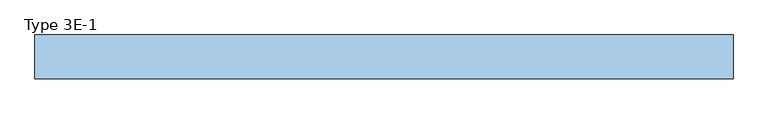
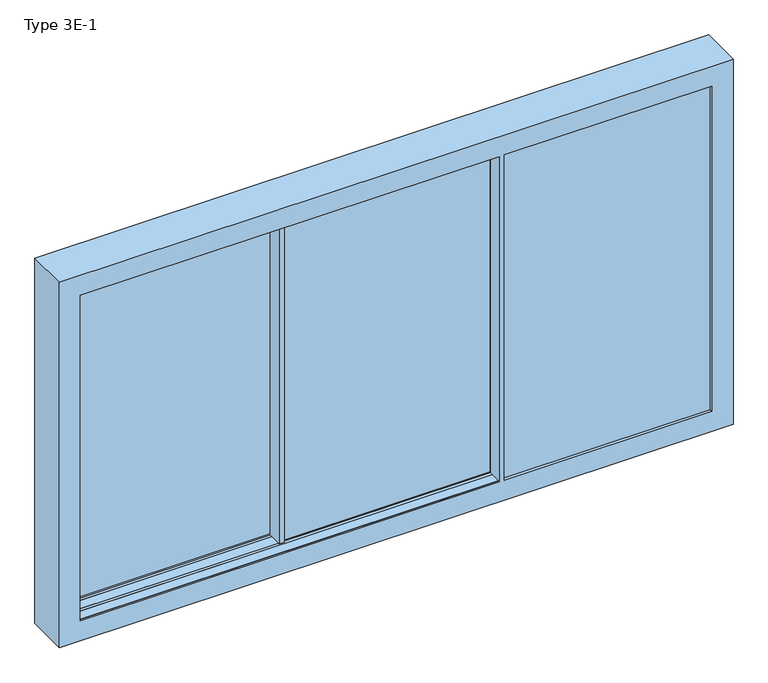
"""IFC4 building model written with IfcOpenShell, lengths in millimetres: window geometry, Type 3E-1."""

import ifcopenshell
import ifcopenshell.guid

model = None  # the IFC model being written
_history = None  # IfcOwnerHistory: only IFC2X3 demands one
_inside = {}  # id of a spatial element -> (the spatial element, [elements in it])
_under = {}  # id of a project, library or spatial element -> (it, [spatial elements below it])
_declared = {}  # id of a project -> (the project, [libraries it declares])
_typed = {}  # id of a type object -> (the type object, [elements of that type])
_made_of = {}  # id of a material, layer set ... -> (it, [elements and type objects made of it])


def new_model(schema):
    """Start an empty IFC model of exactly this schema.

    Asked for "IFC4X3", IfcOpenShell would pick the latest addendum, in which some entities
    have other attributes; the version numbers below select the first issue.
    IFC2X3 requires an IfcOwnerHistory on every rooted entity: one is made here for all.
    """
    global model, _history
    if schema == "IFC4X3":
        model = ifcopenshell.file(schema_version=(4, 3, 0, 0))
    else:
        model = ifcopenshell.file(schema=schema)
    _inside.clear()
    _under.clear()
    _declared.clear()
    _typed.clear()
    _made_of.clear()
    _history = None
    if model.schema == "IFC2X3":
        org = make("IfcOrganization", Name="unknown")
        user = make(
            "IfcPersonAndOrganization",
            ThePerson=make("IfcPerson", FamilyName="unknown"),
            TheOrganization=org,
        )
        app = make(
            "IfcApplication",
            ApplicationDeveloper=org,
            Version="unknown",
            ApplicationFullName="unknown",
            ApplicationIdentifier="unknown",
        )
        _history = make(
            "IfcOwnerHistory",
            OwningUser=user,
            OwningApplication=app,
            ChangeAction="ADDED",
            CreationDate=0,
        )
    return model


def make(cls, **values):
    """One entity of the class cls with the attributes given. An attribute that is None is left unset."""
    return model.create_entity(
        cls, **{name: value for name, value in values.items() if value is not None}
    )


def rooted(cls, **values):
    """An entity with a GlobalId (a new one), such as an element, a storey or a relation."""
    return make(cls, GlobalId=ifcopenshell.guid.new(), OwnerHistory=_history, **values)


def si_unit(unit_type, name, prefix=None):
    """IfcSIUnit, for example si_unit("LENGTHUNIT", "METRE", prefix="MILLI")."""
    return make("IfcSIUnit", UnitType=unit_type, Prefix=prefix, Name=name)


def assignment(units):
    """IfcUnitAssignment: the units of a project."""
    return None if units is None else make("IfcUnitAssignment", Units=units)


def point(xyz):
    """IfcCartesianPoint."""
    return None if xyz is None else make("IfcCartesianPoint", Coordinates=xyz)


def direction(xyz):
    """IfcDirection."""
    return None if xyz is None else make("IfcDirection", DirectionRatios=xyz)


def frame(location, z_axis=None, x_axis=None):
    """IfcAxis2Placement3D, a coordinate frame: its origin and axes. An axis left out is left unset."""
    return make(
        "IfcAxis2Placement3D",
        Location=point(location),
        Axis=direction(z_axis),
        RefDirection=direction(x_axis),
    )


def origin():
    """The frame at (0, 0, 0) with its axes left unset."""
    return frame((0.0, 0.0, 0.0))


def place(relative_to, where):
    """IfcLocalPlacement: puts the frame where relative to a parent placement (None: the world)."""
    return make(
        "IfcLocalPlacement", PlacementRelTo=relative_to, RelativePlacement=where
    )


def context(
    kind, dimensions, precision=None, world=None, true_north=None, identifier=None
):
    """IfcGeometricRepresentationContext, for example the 3D "Model" context."""
    return make(
        "IfcGeometricRepresentationContext",
        ContextIdentifier=identifier,
        ContextType=kind,
        CoordinateSpaceDimension=dimensions,
        Precision=precision,
        WorldCoordinateSystem=world,
        TrueNorth=true_north,
    )


def project(units=None, contexts=None):
    """IfcProject with its units and contexts."""
    return rooted(
        "IfcProject",
        Name="project",
        RepresentationContexts=contexts,
        UnitsInContext=assignment(units),
    )


def spatial(cls, under=None, at=None, **own):
    """A site, building, storey or space (cls), placed at a placement, below another one or the project."""
    s = rooted(cls, ObjectPlacement=at, **own)
    if under is not None:
        _under.setdefault(under.id(), (under, []))[1].append(s)
    return s


def polyline(points):
    """IfcPolyline through the points."""
    return make("IfcPolyline", Points=[point(p) for p in points])


def outline(outer, holes=None, kind="AREA"):
    """IfcArbitraryClosedProfileDef: a profile drawn as a closed curve; with holes, ...WithVoids."""
    if holes is None:
        return make("IfcArbitraryClosedProfileDef", ProfileType=kind, OuterCurve=outer)
    return make(
        "IfcArbitraryProfileDefWithVoids",
        ProfileType=kind,
        OuterCurve=outer,
        InnerCurves=holes,
    )


def extrude(swept, where, along, depth):
    """IfcExtrudedAreaSolid: the profile swept, set in the frame where, extruded along a direction by depth."""
    return make(
        "IfcExtrudedAreaSolid",
        SweptArea=swept,
        Position=where,
        ExtrudedDirection=direction(along),
        Depth=depth,
    )


def faces_of(points, faces, orient=None, outer=None):
    """IfcFace entities. A face is a list of loops; a loop is a list of indices into points, from 0.

    orient and outer hold one flag for each loop. By default every Orientation is true, the
    first loop of a face is its IfcFaceOuterBound and the others are IfcFaceBound.
    """
    made = []
    for i, loops in enumerate(faces):
        bounds = []
        for j, loop in enumerate(loops):
            is_outer = j == 0 if outer is None else outer[i][j]
            bounds.append(
                make(
                    "IfcFaceOuterBound" if is_outer else "IfcFaceBound",
                    Bound=make("IfcPolyLoop", Polygon=[points[k] for k in loop]),
                    Orientation=True if orient is None else orient[i][j],
                )
            )
        made.append(make("IfcFace", Bounds=bounds))
    return made


def faceted_brep(points, faces, orient=None, outer=None, voids=None):
    """IfcFacetedBrep: a solid bounded by flat faces; with voids (closed shells), ...WithVoids."""
    shared = [point(p) for p in points]
    hull = make("IfcClosedShell", CfsFaces=faces_of(shared, faces, orient, outer))
    if voids is None:
        return make("IfcFacetedBrep", Outer=hull)
    return make(
        "IfcFacetedBrepWithVoids",
        Outer=hull,
        Voids=[
            make(cls, CfsFaces=faces_of(shared, fs, o, b)) for cls, fs, o, b in voids
        ],
    )


def shape(context_of_items, identifier, shape_type, items):
    """IfcShapeRepresentation: the items that make up one representation, for example the "Body"."""
    return make(
        "IfcShapeRepresentation",
        ContextOfItems=context_of_items,
        RepresentationIdentifier=identifier,
        RepresentationType=shape_type,
        Items=items,
    )


def source(mapping_origin, context_of_items, identifier, shape_type, items):
    """IfcRepresentationMap: a shape defined once, which mapped items show again and again."""
    return make(
        "IfcRepresentationMap",
        MappingOrigin=mapping_origin,
        MappedRepresentation=shape(context_of_items, identifier, shape_type, items),
    )


def transform(
    local_origin,
    x_axis=None,
    y_axis=None,
    z_axis=None,
    scale=None,
    scale2=None,
    scale3=None,
    uniform=True,
):
    """IfcCartesianTransformationOperator3D, or its non-uniform kind. x_axis, y_axis, z_axis: its Axis1, 2, 3."""
    if uniform:
        return make(
            "IfcCartesianTransformationOperator3D",
            Axis1=direction(x_axis),
            Axis2=direction(y_axis),
            LocalOrigin=point(local_origin),
            Scale=scale,
            Axis3=direction(z_axis),
        )
    return make(
        "IfcCartesianTransformationOperator3DnonUniform",
        Axis1=direction(x_axis),
        Axis2=direction(y_axis),
        LocalOrigin=point(local_origin),
        Scale=scale,
        Axis3=direction(z_axis),
        Scale2=scale2,
        Scale3=scale3,
    )


def mapped(mapping_source, mapping_target):
    """IfcMappedItem: shows the shape of a source again, moved by a transform."""
    return make(
        "IfcMappedItem", MappingSource=mapping_source, MappingTarget=mapping_target
    )


def made_of(thing, what):
    """Note that an element or type object is made of a material, layer set ...; save() writes the relation."""
    if what is not None:
        _made_of.setdefault(what.id(), (what, []))[1].append(thing)
    return thing


def element(
    cls,
    number,
    at=None,
    inside=None,
    cuts=None,
    type_object=None,
    material=None,
    context=None,
    identifier="Body",
    shape_type=None,
    held_by="IfcProductDefinitionShape",
    body=None,
    shapes=None,
    **own,
):
    """One element of the class cls, such as IfcWall. Its Tag is "e" and its number.

    at: its placement. inside: the storey or other place that contains it. cuts: it is an
    opening in that element (IfcRelVoidsElement). A single representation is given by context,
    identifier, shape_type and body (its items); several are given by shapes. held_by: the class
    of the entity that holds the representations. save() writes the other relations.
    """
    e = rooted(cls, Tag="e%d" % number, ObjectPlacement=at, **own)
    if body is not None:
        shapes = [shape(context, identifier, shape_type, body)]
    if shapes is not None:
        e.Representation = make(held_by, Representations=shapes)
    if inside is not None:
        _inside.setdefault(inside.id(), (inside, []))[1].append(e)
    if cuts is not None:
        rooted(
            "IfcRelVoidsElement", RelatingBuildingElement=cuts, RelatedOpeningElement=e
        )
    if type_object is not None:
        _typed.setdefault(type_object.id(), (type_object, []))[1].append(e)
    return made_of(e, material)


def aggregate(whole, parts):
    """IfcRelAggregates: a whole, such as a stair, and the parts it consists of."""
    return rooted("IfcRelAggregates", RelatingObject=whole, RelatedObjects=parts)


def save(model, path):
    """Write the relations noted so far, then the file.

    IfcRelAggregates (storeys below a building ...), IfcRelContainedInSpatialStructure (elements
    in a storey), IfcRelDefinesByType, IfcRelAssociatesMaterial and IfcRelDeclares: one each for
    every whole, place, type object, material and project.
    """
    for whole, parts in _under.values():
        aggregate(whole, parts)
    for where, things in _inside.values():
        rooted(
            "IfcRelContainedInSpatialStructure",
            RelatedElements=things,
            RelatingStructure=where,
        )
    for kind, things in _typed.values():
        rooted("IfcRelDefinesByType", RelatedObjects=things, RelatingType=kind)
    for what, things in _made_of.values():
        rooted("IfcRelAssociatesMaterial", RelatedObjects=things, RelatingMaterial=what)
    for by, libraries in _declared.values():
        rooted("IfcRelDeclares", RelatingContext=by, RelatedDefinitions=libraries)
    model.write(path)


def type_3e_1_05a55fa8(model_context):
    return source(origin(), model_context, "Body", "SolidModel", [
        faceted_brep([(-752.6666667, 102.5, 0.0), (-752.6666667, 121.5001997, 0.0), (-732.8665937, 121.5001997, 0.0), (-732.8665937, 102.5, 0.0), (-732.8665937, 210.0, 0.0), (-732.8665937, 198.5, 0.0), (-767.6666667, 198.5, 0.0), (-767.6666667, 210.0, 0.0), (-752.6666667, 102.5, 2440.0), (-732.8665937, 102.5, 2440.0), (-732.8665937, 210.0, 2440.0), (-732.8665937, 198.5, 2440.0), (-732.8665937, 198.5, 2455.0), (-732.8665937, 121.5001997, 2455.0), (-732.8665937, 121.5001997, 2440.0), (-732.8665937, 121.5001997, -15.0), (-732.8665937, 198.5, -15.0), (-767.6666667, 210.0, 2440.0), (-767.6666667, 187.0001997, 0.0), (-767.6666667, 187.0001997, 2440.0), (-767.6666667, 198.5, 2440.0), (-2240.1997637, 198.5, 0.0), (-2269.9996907, 198.5, -15.0), (-2269.9996907, 198.5, 2455.0), (-2240.1997637, 198.5, 2440.0), (-752.6666667, 121.5001997, 2440.0), (-2269.9996907, 121.5001997, 2455.0), (-2269.9996907, 121.5001997, -15.0), (-2240.1997637, 121.5001997, 2440.0), (-767.6666667, 121.5001997, 2440.0), (-767.6666667, 121.5001997, 0.0), (-2240.1997637, 121.5001997, 0.0), (-2250.9997637, 187.0001997, -10.8), (-756.8666667, 187.0001997, -10.8), (-756.8666667, 187.0001997, 2450.8), (-2250.9997637, 187.0001997, 2450.8), (-2240.1997637, 187.0001997, 2440.0), (-2240.1997637, 187.0001997, 0.0), (-2250.9997637, 133.0001997, 2450.8), (-2250.9997637, 133.0001997, -10.8), (-756.8666667, 133.0001997, -10.8), (-756.8666667, 133.0001997, 2450.8), (-2240.1997637, 133.0001997, 0.0), (-767.6666667, 133.0001997, 0.0), (-767.6666667, 133.0001997, 2440.0), (-2240.1997637, 133.0001997, 2440.0)], [[[0, 1, 2, 3]], [[4, 5, 6, 7]], [[8, 0, 3, 9]], [[10, 11, 12, 13, 14, 9, 3, 2, 15, 16, 5, 4]], [[10, 4, 7, 17]], [[17, 7, 6, 18, 19, 20]], [[21, 6, 5, 16, 22, 23, 12, 11, 20, 24]], [[8, 25, 1, 0]], [[25, 14, 13, 26, 27, 15, 2, 1], [28, 29, 30, 31]], [[32, 33, 34, 35], [36, 19, 18, 37]], [[37, 18, 6, 21]], [[36, 37, 21, 24]], [[38, 39, 32, 35]], [[39, 40, 33, 32]], [[38, 41, 40, 39], [42, 43, 44, 45]], [[28, 31, 42, 45]], [[31, 30, 43, 42]], [[22, 16, 15, 27]], [[40, 41, 34, 33]], [[30, 29, 44, 43]], [[23, 22, 27, 26]], [[9, 14, 25, 8]], [[11, 10, 17, 20]], [[24, 20, 19, 36]], [[35, 34, 41, 38]], [[45, 44, 29, 28]], [[13, 12, 23, 26]]]),
        extrude(outline(polyline([(-756.8666667, 187.0001997), (-756.8666667, 133.0001997), (-2250.9997637, 133.0001997), (-2250.9997637, 187.0001997), (-756.8666667, 187.0001997)])), frame((0.0, 0.0, -10.8), z_axis=(0.0, 0.0, 1.0), x_axis=(1.0, 0.0, 0.0)), (0.0, 0.0, 1.0), 2461.6),
        extrude(outline(polyline([(-2255.0, -78.5), (-2255.0, -1.5), (752.6666667, -1.5), (752.6666667, -78.5), (-2255.0, -78.5)])), frame((0.0, 0.0, -15.0103828), z_axis=(0.0, 0.0, 1.0), x_axis=(1.0, 0.0, 0.0)), (0.0, 0.0, 1.0), 15.0103828),
        extrude(outline(polyline([(-2255.0, 21.5), (-2255.0, 98.5), (-752.6666667, 98.5), (-752.6666667, 21.5), (-2255.0, 21.5)])), frame((0.0, 0.0, -15.0103828), z_axis=(0.0, 0.0, 1.0), x_axis=(1.0, 0.0, 0.0)), (0.0, 0.0, 1.0), 15.0103828),
        extrude(outline(polyline([(121.5, -63.5), (121.5, -28.0), (150.0099329, -28.0), (160.0, -32.6584448), (169.9900671, -28.0), (198.5, -28.0), (198.5, -63.5), (121.5, -63.5)])), frame((-2255.0, 0.0, 0.0), z_axis=(1.0, 0.0, 0.0), x_axis=(0.0, 1.0, 0.0)), (0.0, 0.0, 1.0), 4510.0),
        extrude(outline(polyline([(21.4998003, -63.5), (21.4998003, -28.0), (50.0097332, -28.0), (59.9998003, -32.6584448), (69.9898674, -28.0), (98.4998003, -28.0), (98.4998003, -63.5), (21.4998003, -63.5)])), frame((-2255.0, 0.0, 0.0), z_axis=(1.0, 0.0, 0.0), x_axis=(0.0, 1.0, 0.0)), (0.0, 0.0, 1.0), 4510.0),
        extrude(outline(polyline([(-2255.0, -78.5002996), (-2255.0, -1.5002996), (752.6666667, -1.5002996), (752.6666667, -78.5002996), (-2255.0, -78.5002996)])), frame((0.0, 0.0, 2440.0103828), z_axis=(0.0, 0.0, 1.0), x_axis=(1.0, 0.0, 0.0)), (0.0, 0.0, 1.0), 14.9896172),
        extrude(outline(polyline([(-1393.8333333, 21.5), (-1393.8333333, 98.5), (-752.6666667, 98.5), (-752.6666667, 21.5), (-1393.8333333, 21.5)])), frame((0.0, 0.0, 2440.0103828), z_axis=(0.0, 0.0, 1.0), x_axis=(1.0, 0.0, 0.0)), (0.0, 0.0, 1.0), 14.9896172),
        extrude(outline(polyline([(-2255.0, 152.3501997), (-2255.0, 167.6501997), (2255.0, 167.6501997), (2255.0, 152.3501997), (-2255.0, 152.3501997)])), frame((0.0, 0.0, 2476.5103828), z_axis=(0.0, 0.0, 1.0), x_axis=(1.0, 0.0, 0.0)), (0.0, 0.0, 1.0), 26.9896172),
        extrude(outline(polyline([(-2255.0, 52.3504993), (-2255.0, 67.6504993), (2255.0, 67.6504993), (2255.0, 52.3504993), (-2255.0, 52.3504993)])), frame((0.0, 0.0, 2476.5103828), z_axis=(0.0, 0.0, 1.0), x_axis=(1.0, 0.0, 0.0)), (0.0, 0.0, 1.0), 26.9896172),
        extrude(outline(polyline([(2250.8, -66.9995007), (756.8666667, -66.9995007), (756.8666667, -12.9995007), (2250.8, -12.9995007), (2250.8, -66.9995007)])), frame((0.0, 0.0, -10.8), z_axis=(0.0, 0.0, 1.0), x_axis=(1.0, 0.0, 0.0)), (0.0, 0.0, 1.0), 2461.6),
        extrude(outline(polyline([(-748.4666667, 87.0001997), (748.4666667, 87.0001997), (748.4666667, 33.0001997), (-748.4666667, 33.0001997), (-748.4666667, 87.0001997)])), frame((0.0, 0.0, -10.8), z_axis=(0.0, 0.0, 1.0), x_axis=(1.0, 0.0, 0.0)), (0.0, 0.0, 1.0), 2461.6),
        faceted_brep([(2240.0, 198.5, 2440.0), (2240.0, 210.0, 2440.0), (2240.0, 210.0, 0.0), (2240.0, 198.5, 0.0), (2390.0, 210.0, 2590.0), (2390.0, 210.0, -150.0), (-2390.0, 210.0, -150.0), (-2390.0, 210.0, 2590.0), (-2240.0, 210.0, 2440.0), (-2240.0, 210.0, 0.0), (-2240.0, 198.5, 0.0), (2303.5, 198.5, -63.5), (2303.5, 198.5, 2503.5), (-2303.5, 198.5, 2503.5), (-2303.5, 198.5, -63.5), (-2240.0, 198.5, 2440.0), (2303.5, 121.5, -63.5), (-2303.5, 121.5, -63.5), (2303.5, 121.5, 2503.5), (-2303.5, 121.5, 2503.5), (2240.0, 121.5, 0.0), (2240.0, 121.5, 2440.0), (-2240.0, 121.5, 2440.0), (-2240.0, 121.5, 0.0), (2240.0, 98.5, 0.0), (-2240.0, 98.5, 0.0), (2303.5, 98.5, -63.5), (2303.5, 98.5, 2503.5), (-2303.5, 98.5, 2503.5), (-2303.5, 98.5, -63.5), (2240.0, 98.5, 2440.0), (-2240.0, 98.5, 2440.0), (2390.0, -90.0, 2590.0), (2390.0, -90.0, -150.0), (-2390.0, -90.0, -150.0), (-2390.0, -90.0, 2590.0), (2303.5, -78.5, -63.5), (-2303.5, -78.5, -63.5), (-2303.5, -78.5, 2503.5), (2303.5, -78.5, 2503.5), (-2240.0, -78.5, 2440.0), (-2240.0, -78.5, 0.0), (732.6666667, -78.5, 0.0), (752.6666667, -78.5, 0.0), (752.6666667, -78.5, -15.0), (2255.0, -78.5, -15.0), (2255.0, -78.5, 2455.0), (752.6666667, -78.5, 2455.0), (752.6666667, -78.5, 2440.0), (732.6666667, -78.5, 2440.0), (2303.5, 21.5002996, -63.5), (-2303.5, 21.5002996, -63.5), (2303.5, 21.5002996, 2503.5), (-2303.5, 21.5002996, 2503.5), (-2240.0, -90.0, 2440.0), (-2240.0, -90.0, 0.0), (756.8666667, -12.9995007, 2450.8), (756.8666667, -66.9995007, 2450.8), (756.8666667, -66.9995007, -10.8), (756.8666667, -12.9995007, -10.8), (2250.8, -66.9995007, 2450.8), (2250.8, -66.9995007, -10.8), (767.6666667, -66.9995007, 2440.0), (767.6666667, -66.9995007, 0.0), (2240.0, -66.9995007, 0.0), (2240.0, -66.9995007, 2440.0), (2250.8, -12.9995007, -10.8), (2250.8, -12.9995007, 2450.8), (767.6666667, -12.9995007, 0.0), (767.6666667, -12.9995007, 2440.0), (2240.0, -12.9995007, 2440.0), (2240.0, -12.9995007, 0.0), (767.6666667, -89.9997004, 2440.0), (767.6666667, -89.9997004, 0.0), (2240.0, -89.9997004, 2440.0), (2240.0, -89.9997004, 0.0), (732.6666667, -89.9997004, 2440.0), (732.6666667, -89.9997004, 0.0), (752.6666667, -1.4997004, -15.0), (752.6666667, -1.4997004, 0.0), (752.6666667, -1.4997004, 2455.0), (752.6666667, -1.4997004, 2440.0), (2255.0, -1.4997004, -15.0), (732.6666667, -1.4997004, 0.0), (2303.5, -1.4997004, -63.5), (2303.5, -1.4997004, 2503.5), (-2303.5, -1.4997004, 2503.5), (-2303.5, -1.4997004, -63.5), (-2240.0, -1.4997004, 0.0), (-2240.0, -1.4997004, 2440.0), (732.6666667, -1.4997004, 2440.0), (2255.0, -1.4997004, 2455.0), (767.6666667, -1.4997004, 2440.0), (767.6666667, -1.4997004, 0.0), (2240.0, 21.5002996, 0.0), (-2240.0, 21.5002996, 0.0), (732.6666667, 17.5002996, 0.0), (752.6666667, 17.5002996, 0.0), (752.6666667, -1.4997004, 0.0), (752.6666667, -1.4997004, 2440.0), (732.6666667, 17.5002996, 2440.0), (2240.0, 21.5002996, 2440.0), (-2240.0, 21.5002996, 2440.0), (752.6666667, 17.5002996, 2440.0)], [[[0, 1, 2, 3]], [[4, 5, 6, 7], [2, 1, 8, 9]], [[3, 2, 9, 10]], [[11, 12, 13, 14], [0, 3, 10, 15]], [[16, 11, 14, 17]], [[18, 16, 17, 19], [20, 21, 22, 23]], [[24, 20, 23, 25]], [[26, 27, 28, 29], [30, 24, 25, 31]], [[4, 32, 33, 5]], [[5, 33, 34, 6]], [[10, 9, 8, 15]], [[6, 34, 35, 7]], [[25, 23, 22, 31]], [[36, 37, 38, 39], [40, 41, 42, 43, 44, 45, 46, 47, 48, 49]], [[50, 26, 29, 51]], [[18, 12, 11, 16]], [[52, 27, 26, 50]], [[17, 14, 13, 19]], [[51, 29, 28, 53]], [[1, 0, 15, 8]], [[21, 30, 31, 22]], [[12, 18, 19, 13]], [[32, 4, 7, 35]], [[27, 52, 53, 28]], [[54, 55, 41, 40]], [[30, 21, 20, 24]], [[56, 57, 58, 59]], [[58, 57, 60, 61], [62, 63, 64, 65]], [[59, 58, 61, 66]], [[56, 59, 66, 67], [68, 69, 70, 71]], [[62, 72, 73, 63]], [[33, 32, 35, 34], [73, 72, 74, 75], [76, 77, 55, 54]], [[73, 75, 64, 63]], [[41, 55, 77, 42]], [[78, 44, 43, 79]], [[47, 80, 81, 48]], [[44, 78, 82, 45]], [[79, 43, 42, 83]], [[84, 85, 86, 87], [88, 89, 90, 81, 80, 91, 82, 78, 79, 83]], [[92, 69, 68, 93]], [[93, 68, 71, 94, 95, 88, 83, 96, 97, 98]], [[92, 93, 98, 99]], [[66, 61, 60, 67]], [[77, 76, 49, 90, 100, 96, 83, 42]], [[64, 75, 74, 65]], [[45, 82, 91, 46]], [[94, 71, 70, 101]], [[52, 50, 51, 53], [94, 101, 102, 95]], [[88, 95, 102, 89]], [[103, 97, 96, 100]], [[97, 103, 99, 98]], [[37, 36, 84, 87]], [[38, 37, 87, 86]], [[36, 39, 85, 84]], [[57, 56, 67, 60]], [[54, 40, 49, 76]], [[62, 65, 74, 72]], [[80, 47, 46, 91]], [[48, 81, 90, 49]], [[69, 92, 99, 103, 100, 90, 89, 102, 101, 70]], [[39, 38, 86, 85]]]),
        faceted_brep([(2240.0, 198.5, -15.0), (2255.0, 198.5, -15.0), (2255.0, 121.5, -15.0), (2240.0, 121.5, -15.0), (2240.0, 198.5, 2455.0), (2255.0, 198.5, 2455.0), (2255.0, 121.5, 2455.0), (2240.0, 121.5, 2455.0)], [[[0, 1, 2, 3]], [[4, 5, 1, 0]], [[5, 6, 2, 1]], [[6, 7, 3, 2]], [[7, 4, 0, 3]], [[4, 7, 6, 5]]]),
        faceted_brep([(2240.0, 98.5, -15.0), (2255.0, 98.5, -15.0), (2255.0, 21.5, -15.0), (2240.0, 21.5, -15.0), (2240.0, 98.5, 2455.0), (2255.0, 98.5, 2455.0), (2255.0, 21.5, 2455.0), (2240.0, 21.5, 2455.0)], [[[0, 1, 2, 3]], [[4, 5, 1, 0]], [[5, 6, 2, 1]], [[6, 7, 3, 2]], [[7, 4, 0, 3]], [[4, 7, 6, 5]]]),
        faceted_brep([(-2240.0, -1.4997004, -15.0), (-2240.0, -78.4997004, -15.0), (-2255.0, -78.4997004, -15.0), (-2255.0, -1.4997004, -15.0), (-2240.0, -1.4997004, 2455.0), (-2240.0, -78.4997004, 2455.0), (-2255.0, -78.4997004, 2455.0), (-2255.0, -1.4997004, 2455.0)], [[[0, 1, 2, 3]], [[4, 5, 1, 0]], [[5, 6, 2, 1]], [[6, 7, 3, 2]], [[7, 4, 0, 3]], [[4, 7, 6, 5]]]),
        faceted_brep([(-2240.0, 98.5, -15.0), (-2240.0, 21.5, -15.0), (-2255.0, 21.5, -15.0), (-2255.0, 98.5, -15.0), (-2240.0, 98.5, 2455.0), (-2240.0, 21.5, 2455.0), (-2255.0, 21.5, 2455.0), (-2255.0, 98.5, 2455.0)], [[[0, 1, 2, 3]], [[4, 5, 1, 0]], [[5, 6, 2, 1]], [[6, 7, 3, 2]], [[7, 4, 0, 3]], [[4, 7, 6, 5]]]),
        faceted_brep([(-737.6666667, 21.5001997, 0.0), (-737.6666667, 10.0001997, 0.0), (-772.6666667, 10.0001997, 0.0), (-772.6666667, 117.5001997, 0.0), (-752.6666667, 117.5001997, 0.0), (-752.6666667, 98.5, 0.0), (-752.6666667, 21.5001997, 0.0), (-737.6666667, 21.5001997, 2440.0), (-737.6666667, 10.0001997, 2440.0), (-737.6666667, 33.0001997, 0.0), (-737.6666667, 33.0001997, 2440.0), (-772.6666667, 10.0001997, 2440.0), (-772.6666667, 117.5001997, 2440.0), (-752.6666667, 117.5001997, 2440.0), (-752.6666667, 98.5, 2440.0), (-752.6666667, 98.5, -15.0), (-752.6666667, 21.5, -15.0), (-752.6666667, 21.5, 2455.0), (-752.6666667, 98.5, 2455.0), (-752.6666667, 21.5001997, 2440.0), (737.6666667, 21.5, 0.0), (752.6666667, 21.5, -15.0), (752.6666667, 21.5, 0.0), (752.6666667, 21.5, 2440.0), (752.6666667, 21.5, 2455.0), (737.6666667, 21.5, 2440.0), (737.6666667, 33.0001997, 0.0), (-748.4666667, 33.0001997, -10.8), (-748.4666667, 33.0001997, 2450.8), (748.4666667, 33.0001997, 2450.8), (748.4666667, 33.0001997, -10.8), (737.6666667, 33.0001997, 2440.0), (-737.6666667, 98.5, 2440.0), (-737.6666667, 98.5, 0.0), (737.6666667, 98.5, 0.0), (752.6666667, 98.5, 0.0), (752.6666667, 98.5, -15.0), (752.6666667, 98.5, 2455.0), (752.6666667, 98.5, 2440.0), (737.6666667, 98.5, 2440.0), (-748.4666667, 87.0001997, 2450.8), (-748.4666667, 87.0001997, -10.8), (748.4666667, 87.0001997, -10.8), (748.4666667, 87.0001997, 2450.8), (-737.6666667, 87.0001997, 0.0), (-737.6666667, 87.0001997, 2440.0), (737.6666667, 87.0001997, 2440.0), (737.6666667, 87.0001997, 0.0), (737.6666667, 110.0, 2440.0), (737.6666667, 110.0, 0.0), (772.6666667, 110.0, 0.0), (772.6666667, 2.5, 0.0), (752.6666667, 2.5, 0.0), (772.6666667, 110.0, 2440.0), (752.6666667, 2.5, 2440.0), (772.6666667, 2.5, 2440.0)], [[[0, 1, 2, 3, 4, 5, 6]], [[7, 8, 1, 0, 9, 10]], [[8, 11, 2, 1]], [[11, 12, 3, 2]], [[12, 13, 4, 3]], [[4, 13, 14, 5]], [[15, 16, 6, 5]], [[17, 18, 14, 19]], [[20, 0, 6, 16, 21, 22, 23, 24, 17, 19, 7, 25]], [[9, 0, 20, 26]], [[27, 28, 29, 30], [10, 9, 26, 31]], [[32, 33, 34, 35, 36, 15, 5, 14, 18, 37, 38, 39]], [[40, 28, 27, 41]], [[41, 27, 30, 42]], [[40, 41, 42, 43], [44, 45, 46, 47]], [[16, 15, 36, 21]], [[32, 45, 44, 33]], [[33, 44, 47, 34]], [[42, 30, 29, 43]], [[26, 20, 25, 31]], [[21, 36, 35, 22]], [[37, 24, 23, 38]], [[34, 47, 46, 39, 48, 49]], [[34, 49, 50, 51, 52, 22, 35]], [[48, 53, 50, 49]], [[52, 54, 23, 22]], [[53, 55, 51, 50]], [[55, 54, 52, 51]], [[13, 12, 11, 8, 7, 19, 14]], [[7, 10, 31, 25]], [[28, 40, 43, 29]], [[18, 17, 24, 37]], [[45, 32, 39, 46]], [[54, 55, 53, 48, 39, 38, 23]]]),
    ])


if __name__ == "__main__":
    model = new_model("IFC4")
    model_context = context("Model", 3, world=origin())
    ifc_project = project(units=[si_unit("LENGTHUNIT", "METRE", prefix="MILLI")], contexts=[model_context])
    site = spatial("IfcSite", under=ifc_project)
    building = spatial("IfcBuilding", under=site)
    placement = place(None, origin())
    type_3e_1_shape = type_3e_1_05a55fa8(model_context)
    element("IfcWindow", 1, ObjectType="Type 3E-1", at=placement, inside=building, context=model_context, shape_type="MappedRepresentation", body=[
        mapped(type_3e_1_shape, transform((0.0, 0.0, 0.0), x_axis=(1.0, 0.0, 0.0), y_axis=(0.0, 1.0, 0.0), z_axis=(0.0, 0.0, 1.0))),
    ])
    save(model, "model.ifc")
